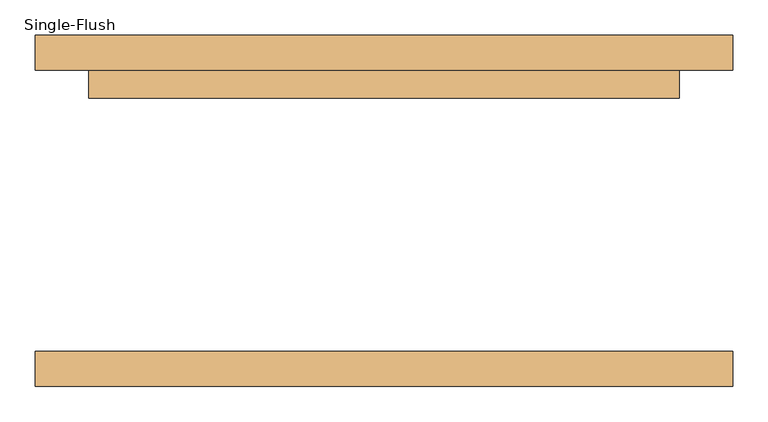
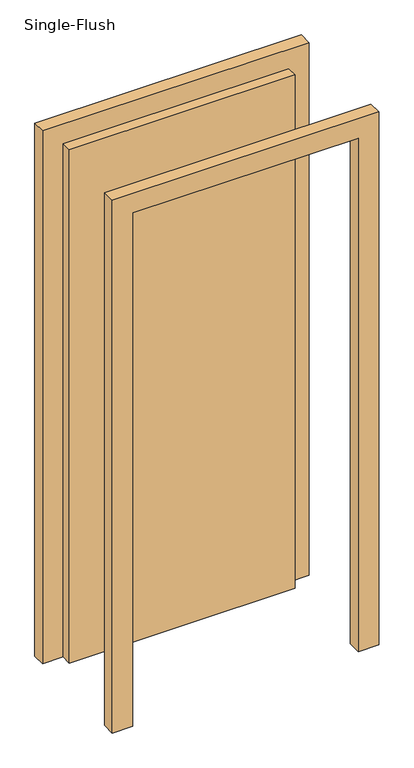
"""IFC4 building model written with IfcOpenShell, lengths in millimetres: door geometry, Single-Flush."""

import ifcopenshell
import ifcopenshell.guid

model = None  # the IFC model being written
_history = None  # IfcOwnerHistory: only IFC2X3 demands one
_inside = {}  # id of a spatial element -> (the spatial element, [elements in it])
_under = {}  # id of a project, library or spatial element -> (it, [spatial elements below it])
_declared = {}  # id of a project -> (the project, [libraries it declares])
_typed = {}  # id of a type object -> (the type object, [elements of that type])
_made_of = {}  # id of a material, layer set ... -> (it, [elements and type objects made of it])


def new_model(schema):
    """Start an empty IFC model of exactly this schema.

    Asked for "IFC4X3", IfcOpenShell would pick the latest addendum, in which some entities
    have other attributes; the version numbers below select the first issue.
    IFC2X3 requires an IfcOwnerHistory on every rooted entity: one is made here for all.
    """
    global model, _history
    if schema == "IFC4X3":
        model = ifcopenshell.file(schema_version=(4, 3, 0, 0))
    else:
        model = ifcopenshell.file(schema=schema)
    _inside.clear()
    _under.clear()
    _declared.clear()
    _typed.clear()
    _made_of.clear()
    _history = None
    if model.schema == "IFC2X3":
        org = make("IfcOrganization", Name="unknown")
        user = make(
            "IfcPersonAndOrganization",
            ThePerson=make("IfcPerson", FamilyName="unknown"),
            TheOrganization=org,
        )
        app = make(
            "IfcApplication",
            ApplicationDeveloper=org,
            Version="unknown",
            ApplicationFullName="unknown",
            ApplicationIdentifier="unknown",
        )
        _history = make(
            "IfcOwnerHistory",
            OwningUser=user,
            OwningApplication=app,
            ChangeAction="ADDED",
            CreationDate=0,
        )
    return model


def make(cls, **values):
    """One entity of the class cls with the attributes given. An attribute that is None is left unset."""
    return model.create_entity(
        cls, **{name: value for name, value in values.items() if value is not None}
    )


def rooted(cls, **values):
    """An entity with a GlobalId (a new one), such as an element, a storey or a relation."""
    return make(cls, GlobalId=ifcopenshell.guid.new(), OwnerHistory=_history, **values)


def si_unit(unit_type, name, prefix=None):
    """IfcSIUnit, for example si_unit("LENGTHUNIT", "METRE", prefix="MILLI")."""
    return make("IfcSIUnit", UnitType=unit_type, Prefix=prefix, Name=name)


def assignment(units):
    """IfcUnitAssignment: the units of a project."""
    return None if units is None else make("IfcUnitAssignment", Units=units)


def point(xyz):
    """IfcCartesianPoint."""
    return None if xyz is None else make("IfcCartesianPoint", Coordinates=xyz)


def direction(xyz):
    """IfcDirection."""
    return None if xyz is None else make("IfcDirection", DirectionRatios=xyz)


def frame(location, z_axis=None, x_axis=None):
    """IfcAxis2Placement3D, a coordinate frame: its origin and axes. An axis left out is left unset."""
    return make(
        "IfcAxis2Placement3D",
        Location=point(location),
        Axis=direction(z_axis),
        RefDirection=direction(x_axis),
    )


def origin():
    """The frame at (0, 0, 0) with its axes left unset."""
    return frame((0.0, 0.0, 0.0))


def origin_with_axes():
    """The frame at (0, 0, 0) with the z axis (0, 0, 1) and the x axis (1, 0, 0) written out."""
    return frame((0.0, 0.0, 0.0), z_axis=(0.0, 0.0, 1.0), x_axis=(1.0, 0.0, 0.0))


def place(relative_to, where):
    """IfcLocalPlacement: puts the frame where relative to a parent placement (None: the world)."""
    return make(
        "IfcLocalPlacement", PlacementRelTo=relative_to, RelativePlacement=where
    )


def context(
    kind, dimensions, precision=None, world=None, true_north=None, identifier=None
):
    """IfcGeometricRepresentationContext, for example the 3D "Model" context."""
    return make(
        "IfcGeometricRepresentationContext",
        ContextIdentifier=identifier,
        ContextType=kind,
        CoordinateSpaceDimension=dimensions,
        Precision=precision,
        WorldCoordinateSystem=world,
        TrueNorth=true_north,
    )


def project(units=None, contexts=None):
    """IfcProject with its units and contexts."""
    return rooted(
        "IfcProject",
        Name="project",
        RepresentationContexts=contexts,
        UnitsInContext=assignment(units),
    )


def spatial(cls, under=None, at=None, **own):
    """A site, building, storey or space (cls), placed at a placement, below another one or the project."""
    s = rooted(cls, ObjectPlacement=at, **own)
    if under is not None:
        _under.setdefault(under.id(), (under, []))[1].append(s)
    return s


def polyline(points):
    """IfcPolyline through the points."""
    return make("IfcPolyline", Points=[point(p) for p in points])


def outline(outer, holes=None, kind="AREA"):
    """IfcArbitraryClosedProfileDef: a profile drawn as a closed curve; with holes, ...WithVoids."""
    if holes is None:
        return make("IfcArbitraryClosedProfileDef", ProfileType=kind, OuterCurve=outer)
    return make(
        "IfcArbitraryProfileDefWithVoids",
        ProfileType=kind,
        OuterCurve=outer,
        InnerCurves=holes,
    )


def extrude(swept, where, along, depth):
    """IfcExtrudedAreaSolid: the profile swept, set in the frame where, extruded along a direction by depth."""
    return make(
        "IfcExtrudedAreaSolid",
        SweptArea=swept,
        Position=where,
        ExtrudedDirection=direction(along),
        Depth=depth,
    )


def shape(context_of_items, identifier, shape_type, items):
    """IfcShapeRepresentation: the items that make up one representation, for example the "Body"."""
    return make(
        "IfcShapeRepresentation",
        ContextOfItems=context_of_items,
        RepresentationIdentifier=identifier,
        RepresentationType=shape_type,
        Items=items,
    )


def source(mapping_origin, context_of_items, identifier, shape_type, items):
    """IfcRepresentationMap: a shape defined once, which mapped items show again and again."""
    return make(
        "IfcRepresentationMap",
        MappingOrigin=mapping_origin,
        MappedRepresentation=shape(context_of_items, identifier, shape_type, items),
    )


def transform(
    local_origin,
    x_axis=None,
    y_axis=None,
    z_axis=None,
    scale=None,
    scale2=None,
    scale3=None,
    uniform=True,
):
    """IfcCartesianTransformationOperator3D, or its non-uniform kind. x_axis, y_axis, z_axis: its Axis1, 2, 3."""
    if uniform:
        return make(
            "IfcCartesianTransformationOperator3D",
            Axis1=direction(x_axis),
            Axis2=direction(y_axis),
            LocalOrigin=point(local_origin),
            Scale=scale,
            Axis3=direction(z_axis),
        )
    return make(
        "IfcCartesianTransformationOperator3DnonUniform",
        Axis1=direction(x_axis),
        Axis2=direction(y_axis),
        LocalOrigin=point(local_origin),
        Scale=scale,
        Axis3=direction(z_axis),
        Scale2=scale2,
        Scale3=scale3,
    )


def mapped(mapping_source, mapping_target):
    """IfcMappedItem: shows the shape of a source again, moved by a transform."""
    return make(
        "IfcMappedItem", MappingSource=mapping_source, MappingTarget=mapping_target
    )


def made_of(thing, what):
    """Note that an element or type object is made of a material, layer set ...; save() writes the relation."""
    if what is not None:
        _made_of.setdefault(what.id(), (what, []))[1].append(thing)
    return thing


def element(
    cls,
    number,
    at=None,
    inside=None,
    cuts=None,
    type_object=None,
    material=None,
    context=None,
    identifier="Body",
    shape_type=None,
    held_by="IfcProductDefinitionShape",
    body=None,
    shapes=None,
    **own,
):
    """One element of the class cls, such as IfcWall. Its Tag is "e" and its number.

    at: its placement. inside: the storey or other place that contains it. cuts: it is an
    opening in that element (IfcRelVoidsElement). A single representation is given by context,
    identifier, shape_type and body (its items); several are given by shapes. held_by: the class
    of the entity that holds the representations. save() writes the other relations.
    """
    e = rooted(cls, Tag="e%d" % number, ObjectPlacement=at, **own)
    if body is not None:
        shapes = [shape(context, identifier, shape_type, body)]
    if shapes is not None:
        e.Representation = make(held_by, Representations=shapes)
    if inside is not None:
        _inside.setdefault(inside.id(), (inside, []))[1].append(e)
    if cuts is not None:
        rooted(
            "IfcRelVoidsElement", RelatingBuildingElement=cuts, RelatedOpeningElement=e
        )
    if type_object is not None:
        _typed.setdefault(type_object.id(), (type_object, []))[1].append(e)
    return made_of(e, material)


def aggregate(whole, parts):
    """IfcRelAggregates: a whole, such as a stair, and the parts it consists of."""
    return rooted("IfcRelAggregates", RelatingObject=whole, RelatedObjects=parts)


def save(model, path):
    """Write the relations noted so far, then the file.

    IfcRelAggregates (storeys below a building ...), IfcRelContainedInSpatialStructure (elements
    in a storey), IfcRelDefinesByType, IfcRelAssociatesMaterial and IfcRelDeclares: one each for
    every whole, place, type object, material and project.
    """
    for whole, parts in _under.values():
        aggregate(whole, parts)
    for where, things in _inside.values():
        rooted(
            "IfcRelContainedInSpatialStructure",
            RelatedElements=things,
            RelatingStructure=where,
        )
    for kind, things in _typed.values():
        rooted("IfcRelDefinesByType", RelatedObjects=things, RelatingType=kind)
    for what, things in _made_of.values():
        rooted("IfcRelAssociatesMaterial", RelatedObjects=things, RelatingMaterial=what)
    for by, libraries in _declared.values():
        rooted("IfcRelDeclares", RelatingContext=by, RelatedDefinitions=libraries)
    model.write(path)


def single_flush_d2b70514(model_context):
    return source(origin(), model_context, "Body", "SweptSolid", [
        extrude(outline(polyline([(2096.2, -496.2), (0.0, -496.2), (0.0, -420.0), (2020.0, -420.0), (2020.0, 420.0), (0.0, 420.0), (0.0, 496.2), (2096.2, 496.2), (2096.2, -496.2)])), frame((0.0, 200.0, 0.0), z_axis=(0.0, 1.0, 0.0), x_axis=(0.0, 0.0, 1.0)), (0.0, 0.0, 1.0), 50.0),
        extrude(outline(polyline([(2096.2, 496.2), (2096.2, -496.2), (0.0, -496.2), (0.0, -420.0), (2020.0, -420.0), (2020.0, 420.0), (0.0, 420.0), (0.0, 496.2), (2096.2, 496.2)])), frame((0.0, -250.0, 0.0), z_axis=(0.0, 1.0, 0.0), x_axis=(0.0, 0.0, 1.0)), (0.0, 0.0, 1.0), 50.0),
        extrude(outline(polyline([(420.0, 160.0), (-420.0, 160.0), (-420.0, 200.0), (420.0, 200.0), (420.0, 160.0)])), origin_with_axes(), (0.0, 0.0, 1.0), 2020.0),
    ])


if __name__ == "__main__":
    model = new_model("IFC4")
    model_context = context("Model", 3, world=origin())
    ifc_project = project(units=[si_unit("LENGTHUNIT", "METRE", prefix="MILLI")], contexts=[model_context])
    site = spatial("IfcSite", under=ifc_project)
    building = spatial("IfcBuilding", under=site)
    placement = place(None, origin())
    single_flush_shape = single_flush_d2b70514(model_context)
    element("IfcDoor", 1, ObjectType="Single-Flush", at=placement, inside=building, context=model_context, shape_type="MappedRepresentation", body=[
        mapped(single_flush_shape, transform((0.0, 0.0, 0.0), x_axis=(1.0, 0.0, 0.0), y_axis=(0.0, 1.0, 0.0), z_axis=(0.0, 0.0, 1.0))),
    ])
    save(model, "model.ifc")
